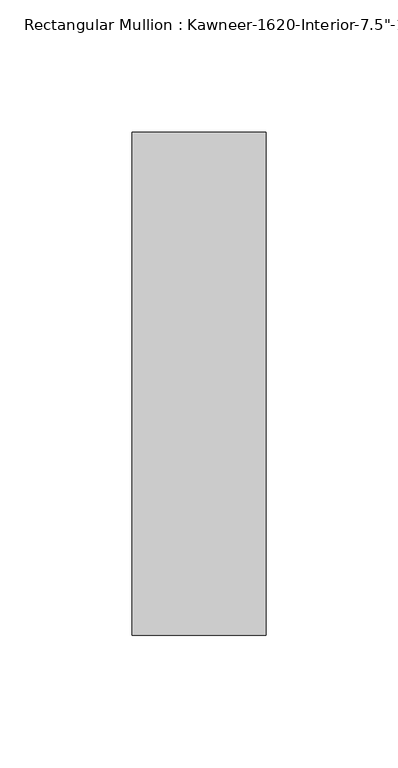
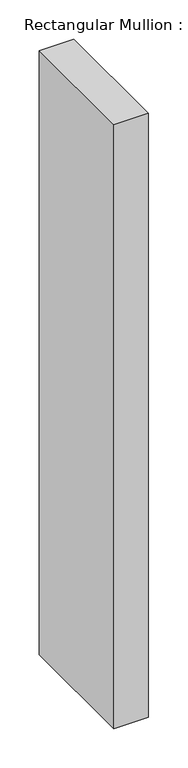
"""IFC4 building model written with IfcOpenShell, lengths in millimetres: member geometry."""

from ifc_helpers import new_model, si_unit, frame, origin, place, context, project, spatial, polyline, outline, extrude, source, transform, mapped, element, save


def member_afaebfaf(model_context):
    return source(origin(), model_context, "Body", "SweptSolid", [
        extrude(outline(polyline([(25.4, -161.925), (-25.4, -161.925), (-25.4, 28.575), (25.4, 28.575), (25.4, -161.925)])), frame((0.0, 0.0, -939.8), z_axis=(0.0, 0.0, 1.0), x_axis=(1.0, 0.0, 0.0)), (0.0, 0.0, 1.0), 939.8),
    ])


if __name__ == "__main__":
    model = new_model("IFC4")
    model_context = context("Model", 3, world=origin())
    ifc_project = project(units=[si_unit("LENGTHUNIT", "METRE", prefix="MILLI")], contexts=[model_context])
    site = spatial("IfcSite", under=ifc_project)
    building = spatial("IfcBuilding", under=site)
    placement = place(None, origin())
    member_shape = member_afaebfaf(model_context)
    element("IfcMember", 1, ObjectType="Rectangular Mullion : Kawneer-1620-Interior-7.5\"-1/4\"Infill", at=placement, inside=building, context=model_context, shape_type="MappedRepresentation", body=[
        mapped(member_shape, transform((0.0, 0.0, 0.0), x_axis=(1.0, 0.0, 0.0), y_axis=(0.0, 1.0, 0.0), z_axis=(0.0, 0.0, 1.0))),
    ])
    save(model, "model.ifc")
